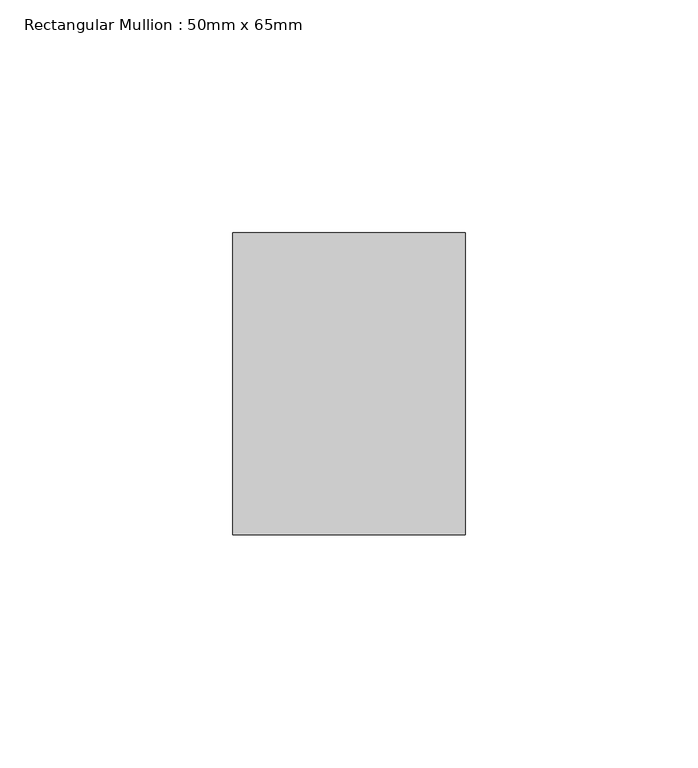
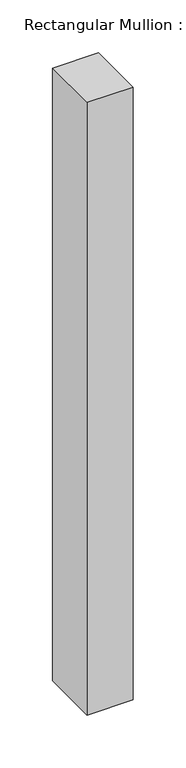
"""IFC4 building model written with IfcOpenShell, lengths in millimetres: member geometry, Rectangular Mullion : 50mm x 65mm."""

from ifc_helpers import new_model, si_unit, frame, origin, place, context, project, spatial, polyline, outline, extrude, source, transform, mapped, element, save


def rectangular_mullion_50mm_x_65mm_dc9f5fbb(model_context):
    return source(origin(), model_context, "Body", "SweptSolid", [
        extrude(outline(polyline([(25.0, 32.5), (25.0, -32.5), (-25.0, -32.5), (-25.0, 32.5), (25.0, 32.5)])), frame((0.0, 0.0, -705.7727694), z_axis=(0.0, 0.0, 1.0), x_axis=(1.0, 0.0, 0.0)), (0.0, 0.0, 1.0), 705.7727694),
    ])


if __name__ == "__main__":
    model = new_model("IFC4")
    model_context = context("Model", 3, world=origin())
    ifc_project = project(units=[si_unit("LENGTHUNIT", "METRE", prefix="MILLI")], contexts=[model_context])
    site = spatial("IfcSite", under=ifc_project)
    building = spatial("IfcBuilding", under=site)
    placement = place(None, origin())
    rectangular_mullion_50mm_x_65mm_shape = rectangular_mullion_50mm_x_65mm_dc9f5fbb(model_context)
    element("IfcMember", 1, ObjectType="Rectangular Mullion : 50mm x 65mm", at=placement, inside=building, context=model_context, shape_type="MappedRepresentation", body=[
        mapped(rectangular_mullion_50mm_x_65mm_shape, transform((0.0, 0.0, 0.0), x_axis=(1.0, 0.0, 0.0), y_axis=(0.0, 1.0, 0.0), z_axis=(0.0, 0.0, 1.0))),
    ])
    save(model, "model.ifc")
